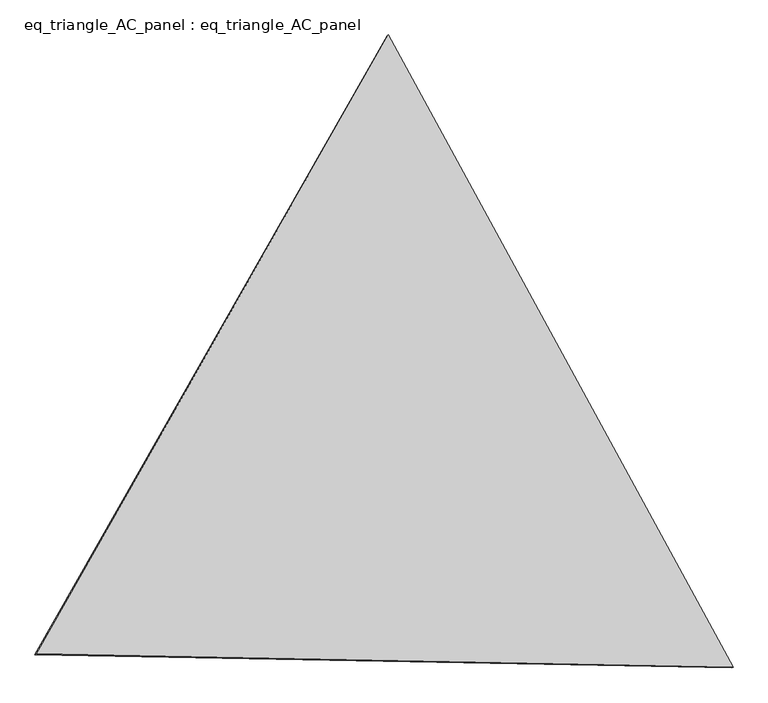
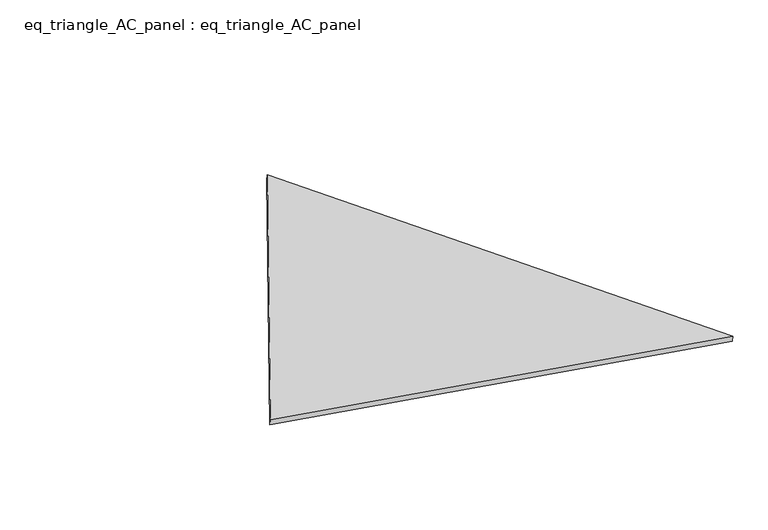
"""IFC4 building model written with IfcOpenShell, lengths in millimetres: proxy geometry, eq_triangle_AC_panel : eq_triangle_AC_panel."""

from ifc_helpers import new_model, si_unit, frame, origin, place, context, project, spatial, polyline, outline, extrude, source, transform, mapped, element, save


def eq_triangle_ac_panel_eq_triangle_ac_panel_47931ce6(model_context):
    return source(origin(), model_context, "Body", "SweptSolid", [
        extrude(outline(polyline([(-2091.3042312, 1173.1623944), (2032.8332138, 1173.1623944), (58.4710172, -2346.3247888), (-2091.3042312, 1173.1623944)])), frame((0.0038051, 527.9290861, 89.8240019), z_axis=(0.14526328518058154, 0.0838657028180221, 0.9858321976225896), x_axis=(0.4785784215361837, -0.8780348813646883, 0.0041763077990694735)), (0.0, 0.0, 1.0), 43.8306294),
    ])


if __name__ == "__main__":
    model = new_model("IFC4")
    model_context = context("Model", 3, world=origin())
    ifc_project = project(units=[si_unit("LENGTHUNIT", "METRE", prefix="MILLI")], contexts=[model_context])
    site = spatial("IfcSite", under=ifc_project)
    building = spatial("IfcBuilding", under=site)
    placement = place(None, origin())
    eq_triangle_ac_panel_eq_triangle_ac_panel_shape = eq_triangle_ac_panel_eq_triangle_ac_panel_47931ce6(model_context)
    element("IfcBuildingElementProxy", 1, Name="eq_triangle_AC_panel : eq_triangle_AC_panel", ObjectType="eq_triangle_AC_panel : eq_triangle_AC_panel", at=placement, inside=building, context=model_context, shape_type="MappedRepresentation", body=[
        mapped(eq_triangle_ac_panel_eq_triangle_ac_panel_shape, transform((0.0, 0.0, 0.0), x_axis=(1.0, 0.0, 0.0), y_axis=(0.0, 1.0, 0.0), z_axis=(0.0, 0.0, 1.0))),
    ])
    save(model, "model.ifc")
